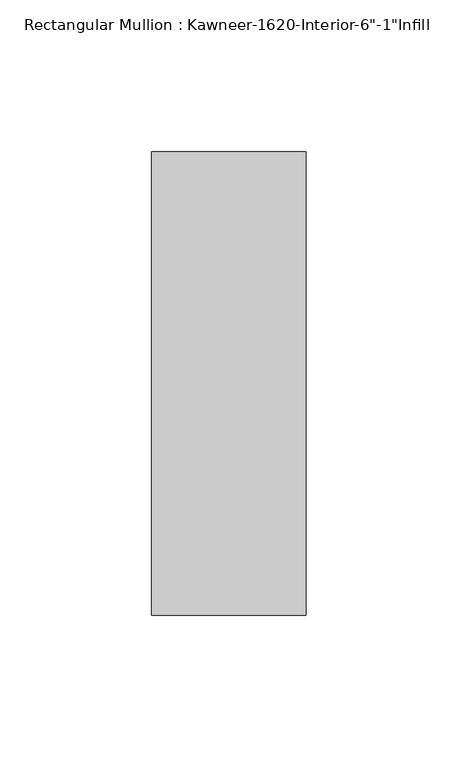
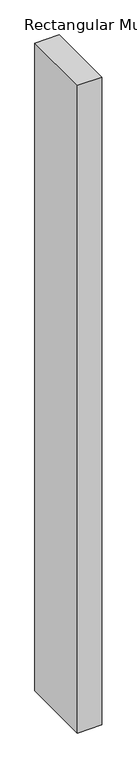
"""IFC4 building model written with IfcOpenShell, lengths in millimetres: member geometry."""

from ifc_helpers import new_model, si_unit, frame, origin, place, context, project, spatial, polyline, outline, extrude, source, transform, mapped, element, save


def member_57c332ca(model_context):
    return source(origin(), model_context, "Body", "SweptSolid", [
        extrude(outline(polyline([(25.4, -114.3), (-25.4, -114.3), (-25.4, 38.1), (25.4, 38.1), (25.4, -114.3)])), frame((0.0, 0.0, -1419.225), z_axis=(0.0, 0.0, 1.0), x_axis=(1.0, 0.0, 0.0)), (0.0, 0.0, 1.0), 1419.225),
    ])


if __name__ == "__main__":
    model = new_model("IFC4")
    model_context = context("Model", 3, world=origin())
    ifc_project = project(units=[si_unit("LENGTHUNIT", "METRE", prefix="MILLI")], contexts=[model_context])
    site = spatial("IfcSite", under=ifc_project)
    building = spatial("IfcBuilding", under=site)
    placement = place(None, origin())
    member_shape = member_57c332ca(model_context)
    element("IfcMember", 1, ObjectType="Rectangular Mullion : Kawneer-1620-Interior-6\"-1\"Infill", at=placement, inside=building, context=model_context, shape_type="MappedRepresentation", body=[
        mapped(member_shape, transform((0.0, 0.0, 0.0), x_axis=(1.0, 0.0, 0.0), y_axis=(0.0, 1.0, 0.0), z_axis=(0.0, 0.0, 1.0))),
    ])
    save(model, "model.ifc")
